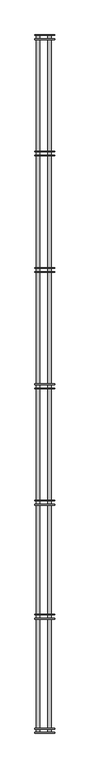
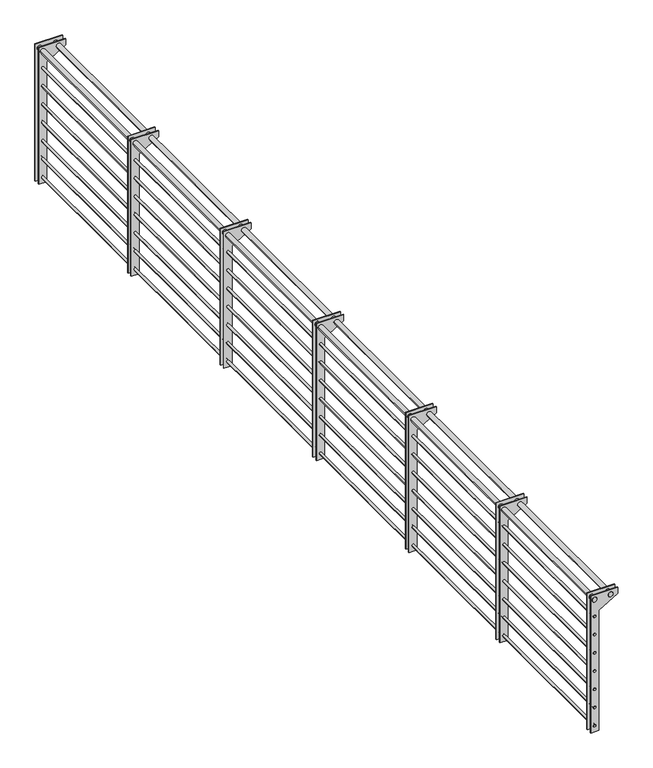
"""IFC4 building model written with IfcOpenShell, lengths in millimetres: railing geometry."""

from ifc_helpers import new_model, si_unit, point, frame, frame_2d, origin, place, context, project, spatial, polyline, circle_curve, trimmed, segment, composite_curve, outline, extrude, source, transform, mapped, element, save


def railing_34c02394(model_context):
    return source(origin(), model_context, "Body", "SweptSolid", [
        extrude(outline(composite_curve([segment(trimmed(circle_curve(frame_2d((870.0, -10095.0544209)), 15.0), [point((870.0, -10080.0544209))], [point((870.0, -10110.0544209))], False, "CARTESIAN"), True, "CONTINUOUS"), segment(trimmed(circle_curve(frame_2d((870.0, -10095.0544209)), 15.0), [point((870.0, -10110.0544209))], [point((870.0, -10080.0544209))], False, "CARTESIAN"), True, "CONTINUOUS")], self_intersect=False)), frame((0.0, -25768.5136765, 0.0), z_axis=(0.0, 1.0, 0.0), x_axis=(0.0, 0.0, 1.0)), (0.0, 0.0, 1.0), 6000.0),
        extrude(outline(composite_curve([segment(trimmed(circle_curve(frame_2d((870.0, -10195.0544209)), 15.0), [point((870.0, -10180.0544209))], [point((870.0, -10210.0544209))], False, "CARTESIAN"), True, "CONTINUOUS"), segment(trimmed(circle_curve(frame_2d((870.0, -10195.0544209)), 15.0), [point((870.0, -10210.0544209))], [point((870.0, -10180.0544209))], False, "CARTESIAN"), True, "CONTINUOUS")], self_intersect=False)), frame((0.0, -25768.5136765, 0.0), z_axis=(0.0, 1.0, 0.0), x_axis=(0.0, 0.0, 1.0)), (0.0, 0.0, 1.0), 6000.0),
        extrude(outline(composite_curve([segment(trimmed(circle_curve(frame_2d((760.0, -10195.0544209)), 7.5), [point((760.0, -10187.5544209))], [point((760.0, -10202.5544209))], False, "CARTESIAN"), True, "CONTINUOUS"), segment(trimmed(circle_curve(frame_2d((760.0, -10195.0544209)), 7.5), [point((760.0, -10202.5544209))], [point((760.0, -10187.5544209))], False, "CARTESIAN"), True, "CONTINUOUS")], self_intersect=False)), frame((0.0, -25768.5136765, 0.0), z_axis=(0.0, 1.0, 0.0), x_axis=(0.0, 0.0, 1.0)), (0.0, 0.0, 1.0), 6000.0),
        extrude(outline(composite_curve([segment(trimmed(circle_curve(frame_2d((640.0, -10195.0544209)), 7.5), [point((640.0, -10187.5544209))], [point((640.0, -10202.5544209))], False, "CARTESIAN"), True, "CONTINUOUS"), segment(trimmed(circle_curve(frame_2d((640.0, -10195.0544209)), 7.5), [point((640.0, -10202.5544209))], [point((640.0, -10187.5544209))], False, "CARTESIAN"), True, "CONTINUOUS")], self_intersect=False)), frame((0.0, -25768.5136765, 0.0), z_axis=(0.0, 1.0, 0.0), x_axis=(0.0, 0.0, 1.0)), (0.0, 0.0, 1.0), 6000.0),
        extrude(outline(composite_curve([segment(trimmed(circle_curve(frame_2d((520.0, -10195.0544209)), 7.5), [point((520.0, -10187.5544209))], [point((520.0, -10202.5544209))], False, "CARTESIAN"), True, "CONTINUOUS"), segment(trimmed(circle_curve(frame_2d((520.0, -10195.0544209)), 7.5), [point((520.0, -10202.5544209))], [point((520.0, -10187.5544209))], False, "CARTESIAN"), True, "CONTINUOUS")], self_intersect=False)), frame((0.0, -25768.5136765, 0.0), z_axis=(0.0, 1.0, 0.0), x_axis=(0.0, 0.0, 1.0)), (0.0, 0.0, 1.0), 6000.0),
        extrude(outline(composite_curve([segment(trimmed(circle_curve(frame_2d((400.0, -10195.0544209)), 7.5), [point((400.0, -10187.5544209))], [point((400.0, -10202.5544209))], False, "CARTESIAN"), True, "CONTINUOUS"), segment(trimmed(circle_curve(frame_2d((400.0, -10195.0544209)), 7.5), [point((400.0, -10202.5544209))], [point((400.0, -10187.5544209))], False, "CARTESIAN"), True, "CONTINUOUS")], self_intersect=False)), frame((0.0, -25768.5136765, 0.0), z_axis=(0.0, 1.0, 0.0), x_axis=(0.0, 0.0, 1.0)), (0.0, 0.0, 1.0), 6000.0),
        extrude(outline(composite_curve([segment(trimmed(circle_curve(frame_2d((280.0, -10195.0544209)), 7.5), [point((280.0, -10187.5544209))], [point((280.0, -10202.5544209))], False, "CARTESIAN"), True, "CONTINUOUS"), segment(trimmed(circle_curve(frame_2d((280.0, -10195.0544209)), 7.5), [point((280.0, -10202.5544209))], [point((280.0, -10187.5544209))], False, "CARTESIAN"), True, "CONTINUOUS")], self_intersect=False)), frame((0.0, -25768.5136765, 0.0), z_axis=(0.0, 1.0, 0.0), x_axis=(0.0, 0.0, 1.0)), (0.0, 0.0, 1.0), 6000.0),
        extrude(outline(composite_curve([segment(trimmed(circle_curve(frame_2d((160.0, -10195.0544209)), 7.5), [point((160.0, -10187.5544209))], [point((160.0, -10202.5544209))], False, "CARTESIAN"), True, "CONTINUOUS"), segment(trimmed(circle_curve(frame_2d((160.0, -10195.0544209)), 7.5), [point((160.0, -10202.5544209))], [point((160.0, -10187.5544209))], False, "CARTESIAN"), True, "CONTINUOUS")], self_intersect=False)), frame((0.0, -25768.5136765, 0.0), z_axis=(0.0, 1.0, 0.0), x_axis=(0.0, 0.0, 1.0)), (0.0, 0.0, 1.0), 6000.0),
        extrude(outline(composite_curve([segment(trimmed(circle_curve(frame_2d((40.0, -10195.0544209)), 7.5), [point((40.0, -10187.5544209))], [point((40.0, -10202.5544209))], False, "CARTESIAN"), True, "CONTINUOUS"), segment(trimmed(circle_curve(frame_2d((40.0, -10195.0544209)), 7.5), [point((40.0, -10202.5544209))], [point((40.0, -10187.5544209))], False, "CARTESIAN"), True, "CONTINUOUS")], self_intersect=False)), frame((0.0, -25768.5136765, 0.0), z_axis=(0.0, 1.0, 0.0), x_axis=(0.0, 0.0, 1.0)), (0.0, 0.0, 1.0), 6000.0),
        extrude(outline(polyline([(900.0, -10220.0544209), (0.0, -10220.0544209), (0.0, -10170.0544209), (790.7179677, -10170.0544209), (860.0, -10050.0544209), (900.0, -10050.0544209), (900.0, -10220.0544209)])), frame((0.0, -19808.5136765, 0.0), z_axis=(0.0, 1.0, 0.0), x_axis=(0.0, 0.0, 1.0)), (0.0, 0.0, 1.0), 5.0),
        extrude(outline(polyline([(900.0, -10220.0544209), (0.0, -10220.0544209), (0.0, -10170.0544209), (790.7179677, -10170.0544209), (860.0, -10050.0544209), (900.0, -10050.0544209), (900.0, -10220.0544209)])), frame((0.0, -19773.5136765, 0.0), z_axis=(0.0, 1.0, 0.0), x_axis=(0.0, 0.0, 1.0)), (0.0, 0.0, 1.0), 5.0),
        extrude(outline(polyline([(900.0, -10220.0544209), (0.0, -10220.0544209), (0.0, -10170.0544209), (790.7179677, -10170.0544209), (860.0, -10050.0544209), (900.0, -10050.0544209), (900.0, -10220.0544209)])), frame((0.0, -20808.5136765, 0.0), z_axis=(0.0, 1.0, 0.0), x_axis=(0.0, 0.0, 1.0)), (0.0, 0.0, 1.0), 5.0),
        extrude(outline(polyline([(900.0, -10220.0544209), (0.0, -10220.0544209), (0.0, -10170.0544209), (790.7179677, -10170.0544209), (860.0, -10050.0544209), (900.0, -10050.0544209), (900.0, -10220.0544209)])), frame((0.0, -20773.5136765, 0.0), z_axis=(0.0, 1.0, 0.0), x_axis=(0.0, 0.0, 1.0)), (0.0, 0.0, 1.0), 5.0),
        extrude(outline(polyline([(900.0, -10220.0544209), (0.0, -10220.0544209), (0.0, -10170.0544209), (790.7179677, -10170.0544209), (860.0, -10050.0544209), (900.0, -10050.0544209), (900.0, -10220.0544209)])), frame((0.0, -21808.5136765, 0.0), z_axis=(0.0, 1.0, 0.0), x_axis=(0.0, 0.0, 1.0)), (0.0, 0.0, 1.0), 5.0),
        extrude(outline(polyline([(900.0, -10220.0544209), (0.0, -10220.0544209), (0.0, -10170.0544209), (790.7179677, -10170.0544209), (860.0, -10050.0544209), (900.0, -10050.0544209), (900.0, -10220.0544209)])), frame((0.0, -21773.5136765, 0.0), z_axis=(0.0, 1.0, 0.0), x_axis=(0.0, 0.0, 1.0)), (0.0, 0.0, 1.0), 5.0),
        extrude(outline(polyline([(900.0, -10220.0544209), (0.0, -10220.0544209), (0.0, -10170.0544209), (790.7179677, -10170.0544209), (860.0, -10050.0544209), (900.0, -10050.0544209), (900.0, -10220.0544209)])), frame((0.0, -22808.5136765, 0.0), z_axis=(0.0, 1.0, 0.0), x_axis=(0.0, 0.0, 1.0)), (0.0, 0.0, 1.0), 5.0),
        extrude(outline(polyline([(900.0, -10220.0544209), (0.0, -10220.0544209), (0.0, -10170.0544209), (790.7179677, -10170.0544209), (860.0, -10050.0544209), (900.0, -10050.0544209), (900.0, -10220.0544209)])), frame((0.0, -22773.5136765, 0.0), z_axis=(0.0, 1.0, 0.0), x_axis=(0.0, 0.0, 1.0)), (0.0, 0.0, 1.0), 5.0),
        extrude(outline(polyline([(900.0, -10220.0544209), (0.0, -10220.0544209), (0.0, -10170.0544209), (790.7179677, -10170.0544209), (860.0, -10050.0544209), (900.0, -10050.0544209), (900.0, -10220.0544209)])), frame((0.0, -23808.5136765, 0.0), z_axis=(0.0, 1.0, 0.0), x_axis=(0.0, 0.0, 1.0)), (0.0, 0.0, 1.0), 5.0),
        extrude(outline(polyline([(900.0, -10220.0544209), (0.0, -10220.0544209), (0.0, -10170.0544209), (790.7179677, -10170.0544209), (860.0, -10050.0544209), (900.0, -10050.0544209), (900.0, -10220.0544209)])), frame((0.0, -23773.5136765, 0.0), z_axis=(0.0, 1.0, 0.0), x_axis=(0.0, 0.0, 1.0)), (0.0, 0.0, 1.0), 5.0),
        extrude(outline(polyline([(900.0, -10220.0544209), (0.0, -10220.0544209), (0.0, -10170.0544209), (790.7179677, -10170.0544209), (860.0, -10050.0544209), (900.0, -10050.0544209), (900.0, -10220.0544209)])), frame((0.0, -24788.5136765, 0.0), z_axis=(0.0, 1.0, 0.0), x_axis=(0.0, 0.0, 1.0)), (0.0, 0.0, 1.0), 5.0),
        extrude(outline(polyline([(900.0, -10220.0544209), (0.0, -10220.0544209), (0.0, -10170.0544209), (790.7179677, -10170.0544209), (860.0, -10050.0544209), (900.0, -10050.0544209), (900.0, -10220.0544209)])), frame((0.0, -24753.5136765, 0.0), z_axis=(0.0, 1.0, 0.0), x_axis=(0.0, 0.0, 1.0)), (0.0, 0.0, 1.0), 5.0),
        extrude(outline(polyline([(900.0, -10220.0544209), (0.0, -10220.0544209), (0.0, -10170.0544209), (790.7179677, -10170.0544209), (860.0, -10050.0544209), (900.0, -10050.0544209), (900.0, -10220.0544209)])), frame((0.0, -25768.5136765, 0.0), z_axis=(0.0, 1.0, 0.0), x_axis=(0.0, 0.0, 1.0)), (0.0, 0.0, 1.0), 5.0),
        extrude(outline(polyline([(900.0, -10220.0544209), (0.0, -10220.0544209), (0.0, -10170.0544209), (790.7179677, -10170.0544209), (860.0, -10050.0544209), (900.0, -10050.0544209), (900.0, -10220.0544209)])), frame((0.0, -25733.5136765, 0.0), z_axis=(0.0, 1.0, 0.0), x_axis=(0.0, 0.0, 1.0)), (0.0, 0.0, 1.0), 5.0),
    ])


if __name__ == "__main__":
    model = new_model("IFC4")
    model_context = context("Model", 3, world=origin())
    ifc_project = project(units=[si_unit("LENGTHUNIT", "METRE", prefix="MILLI")], contexts=[model_context])
    site = spatial("IfcSite", under=ifc_project)
    building = spatial("IfcBuilding", under=site)
    placement = place(None, origin())
    railing_shape = railing_34c02394(model_context)
    element("IfcRailing", 1, at=placement, inside=building, context=model_context, shape_type="MappedRepresentation", body=[
        mapped(railing_shape, transform((0.0, 0.0, 0.0), x_axis=(1.0, 0.0, 0.0), y_axis=(0.0, 1.0, 0.0), z_axis=(0.0, 0.0, 1.0))),
    ])
    save(model, "model.ifc")
